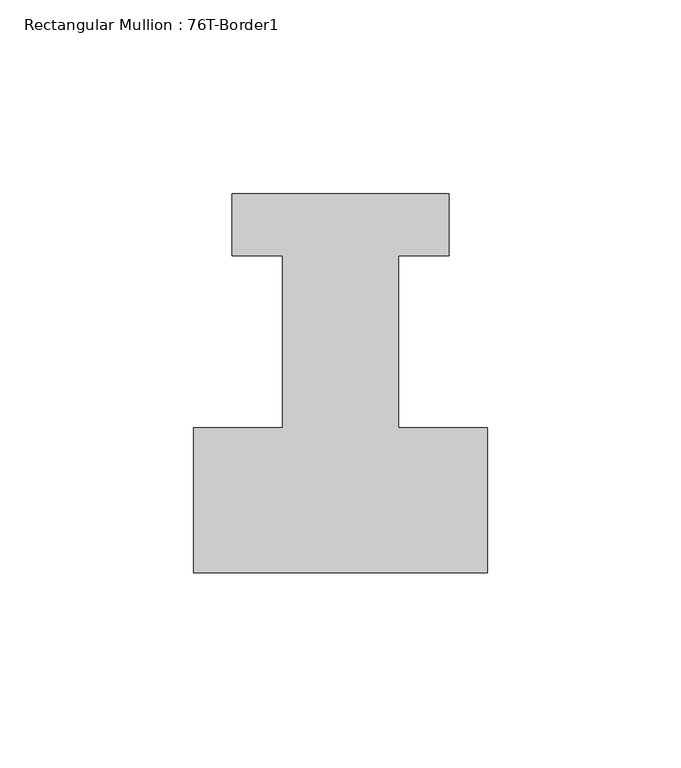
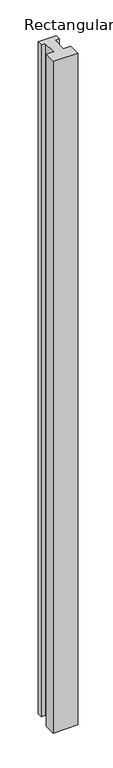
"""IFC4 building model written with IfcOpenShell, lengths in millimetres: member geometry, Rectangular Mullion : 76T-Border1."""

from ifc_helpers import new_model, si_unit, frame, origin, place, context, project, spatial, polyline, outline, extrude, source, transform, mapped, element, save


def rectangular_mullion_76t_border1_31e7c458(model_context):
    return source(origin(), model_context, "Body", "SweptSolid", [
        extrude(outline(polyline([(-76.0, -38.0), (-76.0, -0.5), (-53.0, -0.5), (-53.0, 44.0), (-66.0, 44.0), (-66.0, 60.0), (-10.0, 60.0), (-10.0, 44.0), (-23.0, 44.0), (-23.0, -0.5), (0.0, -0.5), (0.0, -38.0), (-76.0, -38.0)])), frame((0.0, 0.0, -2200.0), z_axis=(0.0, 0.0, 1.0), x_axis=(1.0, 0.0, 0.0)), (0.0, 0.0, 1.0), 2200.0),
    ])


if __name__ == "__main__":
    model = new_model("IFC4")
    model_context = context("Model", 3, world=origin())
    ifc_project = project(units=[si_unit("LENGTHUNIT", "METRE", prefix="MILLI")], contexts=[model_context])
    site = spatial("IfcSite", under=ifc_project)
    building = spatial("IfcBuilding", under=site)
    placement = place(None, origin())
    rectangular_mullion_76t_border1_shape = rectangular_mullion_76t_border1_31e7c458(model_context)
    element("IfcMember", 1, ObjectType="Rectangular Mullion : 76T-Border1", at=placement, inside=building, context=model_context, shape_type="MappedRepresentation", body=[
        mapped(rectangular_mullion_76t_border1_shape, transform((0.0, 0.0, 0.0), x_axis=(1.0, 0.0, 0.0), y_axis=(0.0, 1.0, 0.0), z_axis=(0.0, 0.0, 1.0))),
    ])
    save(model, "model.ifc")
